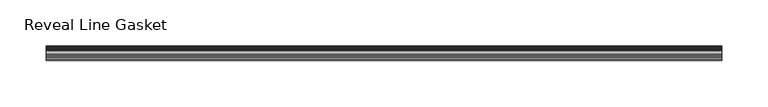
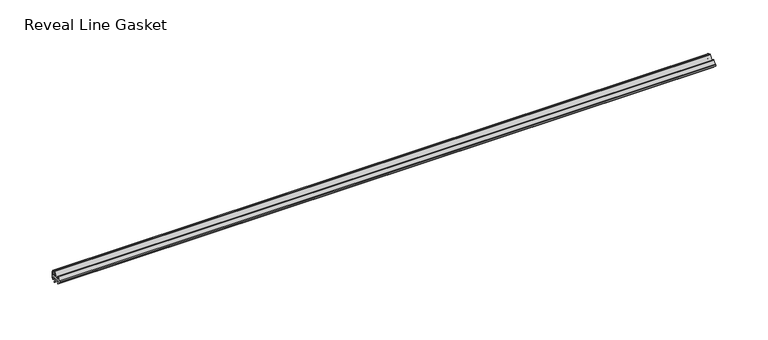
"""IFC4 building model written with IfcOpenShell, lengths in millimetres: furniture geometry, Reveal Line Gasket."""

from ifc_helpers import new_model, si_unit, point, frame, frame_2d, origin, place, context, project, spatial, polyline, circle_curve, trimmed, segment, composite_curve, outline, extrude, source, transform, mapped, element, save


def reveal_line_gasket_f21bf524(model_context):
    return source(origin(), model_context, "Body", "SweptSolid", [
        extrude(outline(composite_curve([segment(polyline([(7.6326998, 1603.2), (7.6326998, 1597.2), (7.4091917, 1596.2445073), (6.8813059, 1595.3115316)]), True, "CONTINUOUS"), segment(trimmed(circle_curve(frame_2d((6.5243141, 1595.5135207)), 0.4101739), [point((6.8813059, 1595.3115316))], [point((6.1246704, 1595.6058653))], False, "CARTESIAN"), True, "CONTINUOUS"), segment(polyline([(6.1246704, 1595.6058653), (6.3626997, 1597.3020914), (6.3626997, 1599.3345473)]), True, "CONTINUOUS"), segment(trimmed(circle_curve(frame_2d((5.6959605, 1598.9180742)), 0.786124), [point((6.3626997, 1599.3345473))], [point((5.0926996, 1599.422125))], True, "CARTESIAN"), True, "CONTINUOUS"), segment(polyline([(5.0926996, 1599.422125), (0.7492996, 1599.422125), (3.7293824, 1594.2604705)]), True, "CONTINUOUS"), segment(trimmed(circle_curve(frame_2d((3.3132479, 1594.1950239)), 0.4212495), [point((3.7293824, 1594.2604705))], [point((3.0485022, 1593.8673642))], False, "CARTESIAN"), True, "CONTINUOUS"), segment(polyline([(3.0485022, 1593.8673642), (-0.5742594, 1599.422125), (-4.8262978, 1599.422125), (-3.1660374, 1596.5464703)]), True, "CONTINUOUS"), segment(trimmed(circle_curve(frame_2d((-3.5978728, 1596.4881145)), 0.4357605), [point((-3.1660374, 1596.5464703))], [point((-3.864328, 1596.1433119))], False, "CARTESIAN"), True, "CONTINUOUS"), segment(polyline([(-3.864328, 1596.1433119), (-6.1944059, 1599.422125), (-7.6326998, 1599.422125), (-7.6326998, 1600.977875), (-6.1944059, 1600.977875), (-3.864328, 1604.2566881)]), True, "CONTINUOUS"), segment(trimmed(circle_curve(frame_2d((-3.5978728, 1603.9118855)), 0.4357605), [point((-3.864328, 1604.2566881))], [point((-3.1660374, 1603.8535297))], False, "CARTESIAN"), True, "CONTINUOUS"), segment(polyline([(-3.1660374, 1603.8535297), (-4.8262978, 1600.977875), (-0.5742594, 1600.977875), (3.0485022, 1606.5326358)]), True, "CONTINUOUS"), segment(trimmed(circle_curve(frame_2d((3.3132479, 1606.2049761)), 0.4212495), [point((3.0485022, 1606.5326358))], [point((3.7293824, 1606.1395295))], False, "CARTESIAN"), True, "CONTINUOUS"), segment(polyline([(3.7293824, 1606.1395295), (0.7492996, 1600.977875), (5.0926996, 1600.977875)]), True, "CONTINUOUS"), segment(trimmed(circle_curve(frame_2d((5.6959605, 1601.4819258)), 0.786124), [point((5.0926996, 1600.977875))], [point((6.3626997, 1601.0654527))], True, "CARTESIAN"), True, "CONTINUOUS"), segment(polyline([(6.3626997, 1601.0654527), (6.3626997, 1603.0979086), (6.1246704, 1604.7941347)]), True, "CONTINUOUS"), segment(trimmed(circle_curve(frame_2d((6.5243141, 1604.8864793)), 0.4101739), [point((6.1246704, 1604.7941347))], [point((6.8813059, 1605.0884684))], False, "CARTESIAN"), True, "CONTINUOUS"), segment(polyline([(6.8813059, 1605.0884684), (7.4091917, 1604.1554927), (7.6326998, 1603.2)]), True, "CONTINUOUS")], self_intersect=False)), frame((-363.2454, 0.0, 0.0), z_axis=(1.0, 0.0, 0.0), x_axis=(0.0, 1.0, 0.0)), (0.0, 0.0, 1.0), 726.4908),
    ])


if __name__ == "__main__":
    model = new_model("IFC4")
    model_context = context("Model", 3, world=origin())
    ifc_project = project(units=[si_unit("LENGTHUNIT", "METRE", prefix="MILLI")], contexts=[model_context])
    site = spatial("IfcSite", under=ifc_project)
    building = spatial("IfcBuilding", under=site)
    placement = place(None, origin())
    reveal_line_gasket_shape = reveal_line_gasket_f21bf524(model_context)
    element("IfcFurniture", 1, ObjectType="Reveal Line Gasket", at=placement, inside=building, context=model_context, shape_type="MappedRepresentation", body=[
        mapped(reveal_line_gasket_shape, transform((0.0, 0.0, 0.0), x_axis=(1.0, 0.0, 0.0), y_axis=(0.0, 1.0, 0.0), z_axis=(0.0, 0.0, 1.0))),
    ])
    save(model, "model.ifc")
